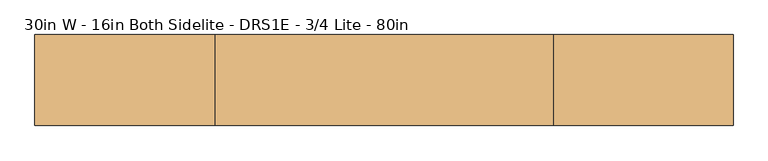
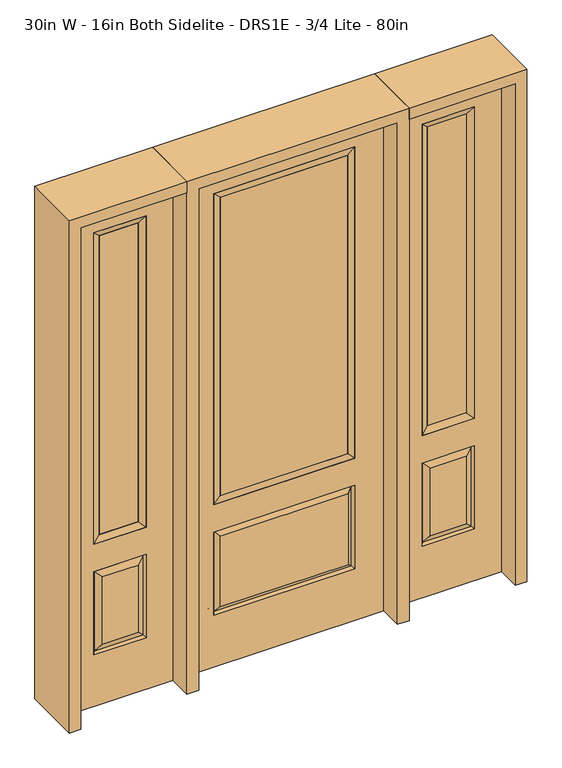
"""IFC4 building model written with IfcOpenShell, lengths in millimetres: door geometry, 30in W - 16in Both Sidelite - DRS1E - 3/4 Lite - 80in."""

from ifc_helpers import new_model, si_unit, frame, origin, place, context, project, spatial, polyline, outline, extrude, faceted_brep, source, transform, mapped, element, save


def door_30in_w_16in_both_sidelite_drs1e_3_4_lite_80in_02922103(model_context):
    return source(origin(), model_context, "Body", "SolidModel", [
        faceted_brep([(425.45, -22.225, 0.0), (831.85, -22.225, 0.0), (831.85, -22.225, 2032.0), (425.45, -22.225, 2032.0), (728.98, -22.225, 1919.224), (728.98, -22.225, 657.098), (528.32, -22.225, 657.098), (528.32, -22.225, 1919.224), (728.98, -22.225, 209.55), (528.32, -22.225, 209.55), (528.32, -22.225, 546.1), (728.98, -22.225, 546.1), (560.0351001, -22.225, 241.2651001), (697.2648999, -22.225, 241.2651001), (697.2648999, -22.225, 514.3848999), (560.0351001, -22.225, 514.3848999), (425.45, 22.225, 0.0), (425.45, 22.225, 2032.0), (831.85, 22.225, 2032.0), (831.85, 22.225, 0.0), (728.98, 22.225, 1919.224), (528.32, 22.225, 1919.224), (528.32, 22.225, 657.098), (728.98, 22.225, 657.098), (528.32, 22.225, 209.55), (728.98, 22.225, 209.55), (728.98, 22.225, 546.1), (528.32, 22.225, 546.1), (697.2648999, 22.225, 241.2651001), (560.0351001, 22.225, 241.2651001), (560.0351001, 22.225, 514.3848999), (697.2648999, 22.225, 514.3848999), (721.8711499, 12.7912373, 216.6588501), (535.4288501, 12.7912373, 216.6588501), (535.4288501, 12.7912373, 538.9911499), (721.8711499, 12.7912373, 538.9911499), (535.4288501, -12.7912373, 216.6588501), (721.8711499, -12.7912373, 216.6588501), (535.4288501, -12.7912373, 538.9911499), (721.8711499, -12.7912373, 538.9911499)], [[[0, 1, 2, 3], [4, 5, 6, 7], [8, 9, 10, 11]], [[12, 13, 14, 15]], [[16, 17, 18, 19], [20, 21, 22, 23], [24, 25, 26, 27]], [[28, 29, 30, 31]], [[1, 0, 16, 19]], [[2, 1, 19, 18]], [[3, 2, 18, 17]], [[0, 3, 17, 16]], [[5, 4, 20, 23]], [[6, 5, 23, 22]], [[7, 6, 22, 21]], [[4, 7, 21, 20]], [[32, 33, 29, 28]], [[33, 32, 25, 24]], [[29, 33, 34, 30]], [[33, 24, 27, 34]], [[30, 34, 35, 31]], [[34, 27, 26, 35]], [[32, 28, 31, 35]], [[25, 32, 35, 26]], [[12, 36, 37, 13]], [[37, 36, 9, 8]], [[36, 12, 15, 38]], [[9, 36, 38, 10]], [[38, 15, 14, 39]], [[10, 38, 39, 11]], [[13, 37, 39, 14]], [[37, 8, 11, 39]]]),
        faceted_brep([(528.32, 22.225, 1919.224), (528.32, -22.225, 1919.224), (728.98, -22.225, 1919.224), (728.98, 22.225, 1919.224), (553.72, 12.7, 1893.824), (703.58, 12.7, 1893.824), (553.72, -12.7, 1893.824), (703.58, -12.7, 1893.824), (728.98, -22.225, 657.098), (728.98, 22.225, 657.098), (703.58, 12.7, 682.498), (703.58, -12.7, 682.498), (528.32, -22.225, 657.098), (528.32, 22.225, 657.098), (553.72, 12.7, 682.498), (553.72, -12.7, 682.498)], [[[0, 1, 2, 3]], [[4, 0, 3, 5]], [[6, 4, 5, 7]], [[1, 6, 7, 2]], [[3, 2, 8, 9]], [[5, 3, 9, 10]], [[7, 5, 10, 11]], [[2, 7, 11, 8]], [[9, 8, 12, 13]], [[10, 9, 13, 14]], [[11, 10, 14, 15]], [[8, 11, 15, 12]], [[13, 12, 1, 0]], [[14, 13, 0, 4]], [[15, 14, 4, 6]], [[12, 15, 6, 1]]]),
        extrude(outline(polyline([(703.58, -12.7), (553.72, -12.7), (553.72, 12.7), (703.58, 12.7), (703.58, -12.7)])), frame((0.0, 0.0, 682.498), z_axis=(0.0, 0.0, 1.0), x_axis=(1.0, 0.0, 0.0)), (0.0, 0.0, 1.0), 1211.326),
        faceted_brep([(-831.85, -22.225, 0.0), (-425.45, -22.225, 0.0), (-425.45, -22.225, 2032.0), (-831.85, -22.225, 2032.0), (-528.32, -22.225, 1919.224), (-528.32, -22.225, 657.098), (-728.98, -22.225, 657.098), (-728.98, -22.225, 1919.224), (-528.32, -22.225, 209.55), (-728.98, -22.225, 209.55), (-728.98, -22.225, 546.1), (-528.32, -22.225, 546.1), (-697.2648999, -22.225, 241.2651001), (-560.0351001, -22.225, 241.2651001), (-560.0351001, -22.225, 514.3848999), (-697.2648999, -22.225, 514.3848999), (-831.85, 22.225, 0.0), (-831.85, 22.225, 2032.0), (-425.45, 22.225, 2032.0), (-425.45, 22.225, 0.0), (-528.32, 22.225, 1919.224), (-728.98, 22.225, 1919.224), (-728.98, 22.225, 657.098), (-528.32, 22.225, 657.098), (-728.98, 22.225, 209.55), (-528.32, 22.225, 209.55), (-528.32, 22.225, 546.1), (-728.98, 22.225, 546.1), (-560.0351001, 22.225, 241.2651001), (-697.2648999, 22.225, 241.2651001), (-697.2648999, 22.225, 514.3848999), (-560.0351001, 22.225, 514.3848999), (-535.4288501, 12.7912373, 216.6588501), (-721.8711499, 12.7912373, 216.6588501), (-721.8711499, 12.7912373, 538.9911499), (-535.4288501, 12.7912373, 538.9911499), (-721.8711499, -12.7912373, 216.6588501), (-535.4288501, -12.7912373, 216.6588501), (-721.8711499, -12.7912373, 538.9911499), (-535.4288501, -12.7912373, 538.9911499)], [[[0, 1, 2, 3], [4, 5, 6, 7], [8, 9, 10, 11]], [[12, 13, 14, 15]], [[16, 17, 18, 19], [20, 21, 22, 23], [24, 25, 26, 27]], [[28, 29, 30, 31]], [[1, 0, 16, 19]], [[2, 1, 19, 18]], [[3, 2, 18, 17]], [[0, 3, 17, 16]], [[5, 4, 20, 23]], [[6, 5, 23, 22]], [[7, 6, 22, 21]], [[4, 7, 21, 20]], [[32, 33, 29, 28]], [[33, 32, 25, 24]], [[29, 33, 34, 30]], [[33, 24, 27, 34]], [[30, 34, 35, 31]], [[34, 27, 26, 35]], [[32, 28, 31, 35]], [[25, 32, 35, 26]], [[12, 36, 37, 13]], [[37, 36, 9, 8]], [[36, 12, 15, 38]], [[9, 36, 38, 10]], [[38, 15, 14, 39]], [[10, 38, 39, 11]], [[13, 37, 39, 14]], [[37, 8, 11, 39]]]),
        faceted_brep([(-728.98, 22.225, 1919.224), (-728.98, -22.225, 1919.224), (-528.32, -22.225, 1919.224), (-528.32, 22.225, 1919.224), (-703.58, 12.7, 1893.824), (-553.72, 12.7, 1893.824), (-703.58, -12.7, 1893.824), (-553.72, -12.7, 1893.824), (-528.32, -22.225, 657.098), (-528.32, 22.225, 657.098), (-553.72, 12.7, 682.498), (-553.72, -12.7, 682.498), (-728.98, -22.225, 657.098), (-728.98, 22.225, 657.098), (-703.58, 12.7, 682.498), (-703.58, -12.7, 682.498)], [[[0, 1, 2, 3]], [[4, 0, 3, 5]], [[6, 4, 5, 7]], [[1, 6, 7, 2]], [[3, 2, 8, 9]], [[5, 3, 9, 10]], [[7, 5, 10, 11]], [[2, 7, 11, 8]], [[9, 8, 12, 13]], [[10, 9, 13, 14]], [[11, 10, 14, 15]], [[8, 11, 15, 12]], [[13, 12, 1, 0]], [[14, 13, 0, 4]], [[15, 14, 4, 6]], [[12, 15, 6, 1]]]),
        extrude(outline(polyline([(-553.72, -12.7), (-703.58, -12.7), (-703.58, 12.7), (-553.72, 12.7), (-553.72, -12.7)])), frame((0.0, 0.0, 682.498), z_axis=(0.0, 0.0, 1.0), x_axis=(1.0, 0.0, 0.0)), (0.0, 0.0, 1.0), 1211.326),
        faceted_brep([(-262.7661499, -12.7912373, 216.6588501), (262.7661499, -12.7912373, 216.6588501), (245.26875, -22.225, 234.15625), (-245.26875, -22.225, 234.15625), (-269.875, -22.225, 209.55), (269.875, -22.225, 209.55), (-262.7661499, -12.7912373, 538.9911499), (-269.875, -22.225, 546.1), (245.26875, -22.225, 521.49375), (-245.26875, -22.225, 521.49375), (381.0, -22.225, 2032.0), (-381.0, -22.225, 2032.0), (-381.0, -22.225, 0.0), (381.0, -22.225, 0.0), (269.875, -22.225, 546.1), (269.875, -22.225, 1917.7), (269.875, -22.225, 657.098), (-269.875, -22.225, 657.098), (-269.875, -22.225, 1917.7), (262.7661499, -12.7912373, 538.9911499), (-381.0, 22.225, 2032.0), (-381.0, 22.225, 0.0), (381.0, 22.225, 0.0), (381.0, 22.225, 2032.0), (269.875, 22.225, 1917.7), (269.875, 22.225, 657.098), (-269.875, 22.225, 657.098), (-269.875, 22.225, 1917.7), (-269.875, 22.225, 209.55), (269.875, 22.225, 209.55), (269.875, 22.225, 546.1), (-269.875, 22.225, 546.1), (245.26875, 22.225, 234.15625), (-245.26875, 22.225, 234.15625), (-245.26875, 22.225, 521.49375), (245.26875, 22.225, 521.49375), (-262.7661499, 12.7912373, 216.6588501), (262.7661499, 12.7912373, 216.6588501), (262.7661499, 12.7912373, 538.9911499), (-262.7661499, 12.7912373, 538.9911499)], [[[0, 1, 2, 3]], [[1, 0, 4, 5]], [[4, 0, 6, 7]], [[3, 2, 8, 9]], [[10, 11, 12, 13], [5, 4, 7, 14], [15, 16, 17, 18]], [[1, 5, 14, 19]], [[2, 1, 19, 8]], [[0, 3, 9, 6]], [[7, 6, 19, 14]], [[6, 9, 8, 19]], [[12, 11, 20, 21]], [[13, 12, 21, 22]], [[10, 13, 22, 23]], [[16, 15, 24, 25]], [[17, 16, 25, 26]], [[18, 17, 26, 27]], [[23, 22, 21, 20], [28, 29, 30, 31], [24, 27, 26, 25]], [[32, 33, 34, 35]], [[28, 36, 37, 29]], [[29, 37, 38, 30]], [[39, 31, 30, 38]], [[36, 28, 31, 39]], [[37, 36, 33, 32]], [[33, 36, 39, 34]], [[34, 39, 38, 35]], [[37, 32, 35, 38]], [[11, 10, 23, 20]], [[15, 18, 27, 24]]]),
        faceted_brep([(-269.875, -22.225, 1917.7), (-269.875, 22.225, 1917.7), (-269.875, 22.225, 657.098), (-269.875, -22.225, 657.098), (269.875, 22.225, 657.098), (269.875, -22.225, 657.098), (-244.475, 5.08, 682.498), (244.475, 5.08, 682.498), (269.875, 22.225, 1917.7), (269.875, -22.225, 1917.7), (-244.475, -20.32, 682.498), (244.475, -20.32, 682.498), (-244.475, -20.32, 1892.3), (244.475, -20.32, 1892.3), (-244.475, 5.08, 1892.3), (244.475, 5.08, 1892.3)], [[[0, 1, 2, 3]], [[3, 2, 4, 5]], [[2, 6, 7, 4]], [[5, 4, 8, 9]], [[10, 3, 5, 11]], [[12, 0, 3, 10]], [[11, 5, 9, 13]], [[6, 10, 11, 7]], [[14, 12, 10, 6]], [[7, 11, 13, 15]], [[1, 14, 6, 2]], [[4, 7, 15, 8]], [[9, 8, 1, 0]], [[13, 9, 0, 12]], [[15, 13, 12, 14]], [[8, 15, 14, 1]]]),
        extrude(outline(polyline([(244.475, -20.32), (-244.475, -20.32), (-244.475, 5.08), (244.475, 5.08), (244.475, -20.32)])), frame((0.0, 0.0, 682.498), z_axis=(0.0, 0.0, 1.0), x_axis=(1.0, 0.0, 0.0)), (0.0, 0.0, 1.0), 1209.802),
        extrude(outline(polyline([(2032.0, -425.45), (2076.45, -425.45), (2076.45, -876.3), (0.0, -876.3), (0.0, -831.85), (2032.0, -831.85), (2032.0, -425.45)])), frame((0.0, -114.3, 0.0), z_axis=(0.0, 1.0, 0.0), x_axis=(0.0, 0.0, 1.0)), (0.0, 0.0, 1.0), 228.6),
        extrude(outline(polyline([(2076.45, -425.45), (0.0, -425.45), (0.0, -381.0), (2032.0, -381.0), (2032.0, 381.0), (0.0, 381.0), (0.0, 425.45), (2076.45, 425.45), (2076.45, -425.45)])), frame((0.0, -114.3, 0.0), z_axis=(0.0, 1.0, 0.0), x_axis=(0.0, 0.0, 1.0)), (0.0, 0.0, 1.0), 228.6),
        extrude(outline(polyline([(0.0, 831.85), (0.0, 876.3), (2076.45, 876.3), (2076.45, 425.45), (2032.0, 425.45), (2032.0, 831.85), (0.0, 831.85)])), frame((0.0, -114.3, 0.0), z_axis=(0.0, 1.0, 0.0), x_axis=(0.0, 0.0, 1.0)), (0.0, 0.0, 1.0), 228.6),
    ])


if __name__ == "__main__":
    model = new_model("IFC4")
    model_context = context("Model", 3, world=origin())
    ifc_project = project(units=[si_unit("LENGTHUNIT", "METRE", prefix="MILLI")], contexts=[model_context])
    site = spatial("IfcSite", under=ifc_project)
    building = spatial("IfcBuilding", under=site)
    placement = place(None, origin())
    door_30in_w_16in_both_sidelite_drs1e_3_4_lite_80in_shape = door_30in_w_16in_both_sidelite_drs1e_3_4_lite_80in_02922103(model_context)
    element("IfcDoor", 1, ObjectType="30in W - 16in Both Sidelite - DRS1E - 3/4 Lite - 80in", at=placement, inside=building, context=model_context, shape_type="MappedRepresentation", body=[
        mapped(door_30in_w_16in_both_sidelite_drs1e_3_4_lite_80in_shape, transform((0.0, 0.0, 0.0), x_axis=(1.0, 0.0, 0.0), y_axis=(0.0, 1.0, 0.0), z_axis=(0.0, 0.0, 1.0))),
    ])
    save(model, "model.ifc")
